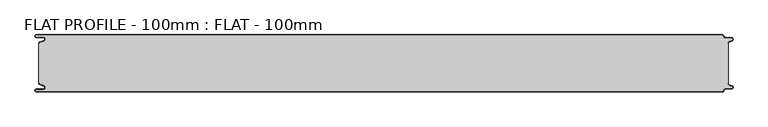
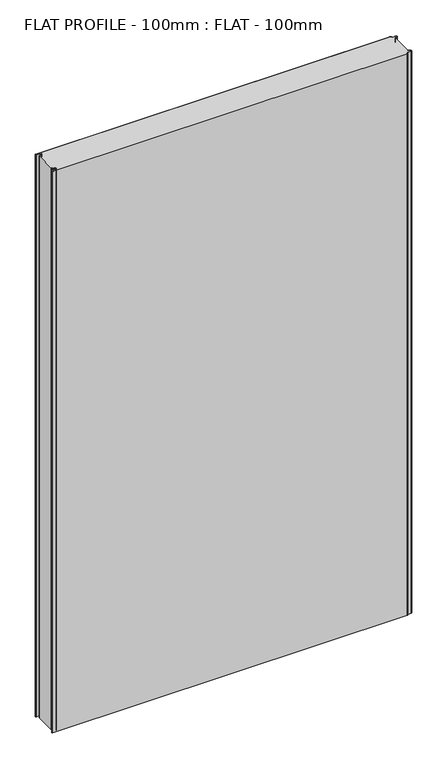
"""IFC4 building model written with IfcOpenShell, lengths in millimetres: proxy geometry, FLAT PROFILE - 100mm : FLAT - 100mm."""

from ifc_helpers import new_model, si_unit, point, frame_2d, origin, origin_with_axes, place, context, project, spatial, polyline, circle_curve, trimmed, segment, composite_curve, outline, extrude, source, transform, mapped, element, save


def flat_profile_100mm_flat_100mm_a1c25d34(model_context):
    return source(origin(), model_context, "Body", "SweptSolid", [
        extrude(outline(composite_curve([segment(polyline([(-591.3794419, 36.1128969), (-589.3904999, 36.9138856), (-583.8995097, 38.9124426)]), True, "CONTINUOUS"), segment(trimmed(circle_curve(frame_2d((-585.2882153, 42.3376495)), 3.6960175), [point((-583.8995097, 38.9124426))], [point((-584.9273771, 46.0160107))], True, "CARTESIAN"), True, "CONTINUOUS"), segment(polyline([(-584.9273771, 46.0160107), (-597.3733883, 46.0160107)]), True, "CONTINUOUS"), segment(trimmed(circle_curve(frame_2d((-597.4921978, 47.511298)), 1.5), [point((-597.3733883, 46.0160107))], [point((-597.3084562, 49.0000019))], False, "CARTESIAN"), True, "CONTINUOUS"), segment(polyline([(-597.3084562, 49.0000019), (596.902372, 49.0000019)]), True, "CONTINUOUS"), segment(trimmed(circle_curve(frame_2d((596.9047345, 47.4926459)), 1.5073578), [point((596.902372, 49.0000019))], [point((598.4115951, 47.4539337))], False, "CARTESIAN"), True, "CONTINUOUS"), segment(trimmed(circle_curve(frame_2d((601.9112919, 47.5000019)), 3.5), [point((598.4115951, 47.4539337))], [point((601.9112919, 44.0000019))], True, "CARTESIAN"), True, "CONTINUOUS"), segment(polyline([(601.9112919, 44.0000019), (612.3116271, 44.0000019)]), True, "CONTINUOUS"), segment(trimmed(circle_curve(frame_2d((612.3116271, 41.9000019)), 2.1), [point((612.3116271, 44.0000019))], [point((613.0435993, 39.9316988))], False, "CARTESIAN"), True, "CONTINUOUS"), segment(polyline([(613.0435993, 39.9316988), (610.7828028, 39.1063001), (607.8546835, 37.9154156)]), True, "CONTINUOUS"), segment(trimmed(circle_curve(frame_2d((608.9399875, 35.2468953)), 2.8807786), [point((607.8546835, 37.9154156))], [point((606.0682599, 35.475074))], True, "CARTESIAN"), True, "CONTINUOUS"), segment(polyline([(606.0682599, 35.475074), (606.0107004, 34.2522232), (607.0118076, 34.2522232), (607.0118076, -34.2522195), (606.0107004, -34.2522195), (606.0682599, -35.4750703)]), True, "CONTINUOUS"), segment(trimmed(circle_curve(frame_2d((608.9399875, -35.2468916)), 2.8807786), [point((606.0682599, -35.4750703))], [point((607.8546835, -37.9154119))], True, "CARTESIAN"), True, "CONTINUOUS"), segment(polyline([(607.8546835, -37.9154119), (610.7828028, -39.1062964), (613.0435993, -39.9316951)]), True, "CONTINUOUS"), segment(trimmed(circle_curve(frame_2d((612.3116271, -41.8999981)), 2.1), [point((613.0435993, -39.9316951))], [point((612.3116271, -43.9999981))], False, "CARTESIAN"), True, "CONTINUOUS"), segment(polyline([(612.3116271, -43.9999981), (601.9112919, -43.9999981)]), True, "CONTINUOUS"), segment(trimmed(circle_curve(frame_2d((601.9112919, -47.4999981)), 3.5), [point((601.9112919, -43.9999981))], [point((598.4115951, -47.45393))], True, "CARTESIAN"), True, "CONTINUOUS"), segment(trimmed(circle_curve(frame_2d((596.9047345, -47.4926422)), 1.5073578), [point((598.4115951, -47.45393))], [point((596.902372, -48.9999981))], False, "CARTESIAN"), True, "CONTINUOUS"), segment(polyline([(596.902372, -48.9999981), (-597.3084562, -48.9999981)]), True, "CONTINUOUS"), segment(trimmed(circle_curve(frame_2d((-597.4921978, -47.5112943)), 1.5), [point((-597.3084562, -48.9999981))], [point((-597.3733883, -46.016007))], False, "CARTESIAN"), True, "CONTINUOUS"), segment(polyline([(-597.3733883, -46.016007), (-584.9273771, -46.016007)]), True, "CONTINUOUS"), segment(trimmed(circle_curve(frame_2d((-585.2882153, -42.3376458)), 3.6960175), [point((-584.9273771, -46.016007))], [point((-583.8995097, -38.9124389))], True, "CARTESIAN"), True, "CONTINUOUS"), segment(polyline([(-583.8995097, -38.9124389), (-589.3904999, -36.9138819), (-591.3794419, -36.1128932)]), True, "CONTINUOUS"), segment(trimmed(circle_curve(frame_2d((-591.0050311, -35.1831907)), 1.0022625), [point((-591.3794419, -36.1128932))], [point((-591.9881924, -35.3779319))], False, "CARTESIAN"), True, "CONTINUOUS"), segment(polyline([(-591.9881924, -35.3779319), (-591.9881924, -34.2522214), (-592.9881924, -34.2522214), (-592.9881924, 34.2522214), (-591.9881924, 34.2522214), (-591.9881924, 35.3779357)]), True, "CONTINUOUS"), segment(trimmed(circle_curve(frame_2d((-591.0050311, 35.1831944)), 1.0022625), [point((-591.9881924, 35.3779357))], [point((-591.3794419, 36.1128969))], False, "CARTESIAN"), True, "CONTINUOUS")], self_intersect=False)), origin_with_axes(), (0.0, 0.0, 1.0), 2000.0),
        extrude(outline(composite_curve([segment(trimmed(circle_curve(frame_2d((-591.0050311, 35.1831944)), 1.0022625), [point((-591.3794419, 36.1128969))], [point((-591.9881924, 35.3779357))], True, "CARTESIAN"), True, "CONTINUOUS"), segment(polyline([(-591.9881924, 35.3779357), (-591.9881924, 34.2522214), (-592.9881924, 34.2522214), (-592.9881924, 35.4591051)]), True, "CONTINUOUS"), segment(trimmed(circle_curve(frame_2d((-591.0050311, 35.1831944)), 2.0022625), [point((-592.9881924, 35.4591051))], [point((-591.7530074, 37.0405007))], False, "CARTESIAN"), True, "CONTINUOUS"), segment(polyline([(-591.7530074, 37.0405007), (-589.7483949, 37.8478003), (-584.2598383, 39.8454715)]), True, "CONTINUOUS"), segment(trimmed(circle_curve(frame_2d((-585.2882153, 42.3376495)), 2.6960175), [point((-584.2598383, 39.8454715))], [point((-584.9801705, 45.0160107))], True, "CARTESIAN"), True, "CONTINUOUS"), segment(polyline([(-584.9801705, 45.0160107), (-597.3387672, 45.0160107)]), True, "CONTINUOUS"), segment(trimmed(circle_curve(frame_2d((-597.4921978, 47.511298)), 2.5), [point((-597.3387672, 45.0160107))], [point((-597.2548091, 50.0000019))], False, "CARTESIAN"), True, "CONTINUOUS"), segment(polyline([(-597.2548091, 50.0000019), (596.9016875, 50.0000019)]), True, "CONTINUOUS"), segment(trimmed(circle_curve(frame_2d((596.9047345, 47.4926459)), 2.5073578), [point((596.9016875, 50.0000019))], [point((599.4117582, 47.4517176))], False, "CARTESIAN"), True, "CONTINUOUS"), segment(trimmed(circle_curve(frame_2d((601.9112919, 47.5000019)), 2.5), [point((599.4117582, 47.4517176))], [point((601.9112919, 45.0000019))], True, "CARTESIAN"), True, "CONTINUOUS"), segment(polyline([(601.9112919, 45.0000019), (612.3116271, 45.0000019)]), True, "CONTINUOUS"), segment(trimmed(circle_curve(frame_2d((612.3116271, 41.9000019)), 3.1), [point((612.3116271, 45.0000019))], [point((613.3890842, 38.9932707))], False, "CARTESIAN"), True, "CONTINUOUS"), segment(polyline([(613.3890842, 38.9932707), (611.1427659, 38.1731578), (608.2411829, 37.0549269)]), True, "CONTINUOUS"), segment(trimmed(circle_curve(frame_2d((609.0514567, 35.1592666)), 2.0615701), [point((608.2411829, 37.0549269))], [point((607.0118076, 35.4591051))], True, "CARTESIAN"), True, "CONTINUOUS"), segment(polyline([(607.0118076, 35.4591051), (607.0118076, 34.2522232), (606.0107004, 34.2522232), (606.0682599, 35.475074)]), True, "CONTINUOUS"), segment(trimmed(circle_curve(frame_2d((608.9399875, 35.2468953)), 2.8807786), [point((606.0682599, 35.475074))], [point((607.8546835, 37.9154156))], False, "CARTESIAN"), True, "CONTINUOUS"), segment(polyline([(607.8546835, 37.9154156), (610.7828028, 39.1063001), (613.0435993, 39.9316988)]), True, "CONTINUOUS"), segment(trimmed(circle_curve(frame_2d((612.3116271, 41.9000019)), 2.1), [point((613.0435993, 39.9316988))], [point((612.3116271, 44.0000019))], True, "CARTESIAN"), True, "CONTINUOUS"), segment(polyline([(612.3116271, 44.0000019), (601.9112919, 44.0000019)]), True, "CONTINUOUS"), segment(trimmed(circle_curve(frame_2d((601.9112919, 47.5000019)), 3.5), [point((601.9112919, 44.0000019))], [point((598.4115951, 47.4539337))], False, "CARTESIAN"), True, "CONTINUOUS"), segment(trimmed(circle_curve(frame_2d((596.9047345, 47.4926459)), 1.5073578), [point((598.4115951, 47.4539337))], [point((596.902372, 49.0000019))], True, "CARTESIAN"), True, "CONTINUOUS"), segment(polyline([(596.902372, 49.0000019), (-597.3084562, 49.0000019)]), True, "CONTINUOUS"), segment(trimmed(circle_curve(frame_2d((-597.4921978, 47.511298)), 1.5), [point((-597.3084562, 49.0000019))], [point((-597.3733883, 46.0160107))], True, "CARTESIAN"), True, "CONTINUOUS"), segment(polyline([(-597.3733883, 46.0160107), (-584.9273771, 46.0160107)]), True, "CONTINUOUS"), segment(trimmed(circle_curve(frame_2d((-585.2882153, 42.3376495)), 3.6960175), [point((-584.9273771, 46.0160107))], [point((-583.8995097, 38.9124426))], False, "CARTESIAN"), True, "CONTINUOUS"), segment(polyline([(-583.8995097, 38.9124426), (-589.3904999, 36.9138856), (-591.3794419, 36.1128969)]), True, "CONTINUOUS")], self_intersect=False)), origin_with_axes(), (0.0, 0.0, 1.0), 2000.0),
        extrude(outline(composite_curve([segment(polyline([(-591.3794419, -36.1128932), (-589.3904999, -36.9138819), (-583.8995097, -38.9124389)]), True, "CONTINUOUS"), segment(trimmed(circle_curve(frame_2d((-585.2882153, -42.3376458)), 3.6960175), [point((-583.8995097, -38.9124389))], [point((-584.9273771, -46.016007))], False, "CARTESIAN"), True, "CONTINUOUS"), segment(polyline([(-584.9273771, -46.016007), (-597.3733883, -46.016007)]), True, "CONTINUOUS"), segment(trimmed(circle_curve(frame_2d((-597.4921978, -47.5112943)), 1.5), [point((-597.3733883, -46.016007))], [point((-597.3084562, -48.9999981))], True, "CARTESIAN"), True, "CONTINUOUS"), segment(polyline([(-597.3084562, -48.9999981), (596.902372, -48.9999981)]), True, "CONTINUOUS"), segment(trimmed(circle_curve(frame_2d((596.9047345, -47.4926422)), 1.5073578), [point((596.902372, -48.9999981))], [point((598.4115951, -47.45393))], True, "CARTESIAN"), True, "CONTINUOUS"), segment(trimmed(circle_curve(frame_2d((601.9112919, -47.4999981)), 3.5), [point((598.4115951, -47.45393))], [point((601.9112919, -43.9999981))], False, "CARTESIAN"), True, "CONTINUOUS"), segment(polyline([(601.9112919, -43.9999981), (612.3116271, -43.9999981)]), True, "CONTINUOUS"), segment(trimmed(circle_curve(frame_2d((612.3116271, -41.8999981)), 2.1), [point((612.3116271, -43.9999981))], [point((613.0435993, -39.9316951))], True, "CARTESIAN"), True, "CONTINUOUS"), segment(polyline([(613.0435993, -39.9316951), (610.7828028, -39.1062964), (607.8546835, -37.9154119)]), True, "CONTINUOUS"), segment(trimmed(circle_curve(frame_2d((608.9399875, -35.2468916)), 2.8807786), [point((607.8546835, -37.9154119))], [point((606.0682599, -35.4750703))], False, "CARTESIAN"), True, "CONTINUOUS"), segment(polyline([(606.0682599, -35.4750703), (606.0107004, -34.2522195), (607.0118076, -34.2522195), (607.0118076, -35.4591014)]), True, "CONTINUOUS"), segment(trimmed(circle_curve(frame_2d((609.0514567, -35.1592629)), 2.0615701), [point((607.0118076, -35.4591014))], [point((608.2411829, -37.0549231))], True, "CARTESIAN"), True, "CONTINUOUS"), segment(polyline([(608.2411829, -37.0549231), (611.1427659, -38.1731541), (613.3890842, -38.993267)]), True, "CONTINUOUS"), segment(trimmed(circle_curve(frame_2d((612.3116271, -41.8999981)), 3.1), [point((613.3890842, -38.993267))], [point((612.3116271, -44.9999981))], False, "CARTESIAN"), True, "CONTINUOUS"), segment(polyline([(612.3116271, -44.9999981), (601.9112919, -44.9999981)]), True, "CONTINUOUS"), segment(trimmed(circle_curve(frame_2d((601.9112919, -47.4999981)), 2.5), [point((601.9112919, -44.9999981))], [point((599.4117582, -47.4517139))], True, "CARTESIAN"), True, "CONTINUOUS"), segment(trimmed(circle_curve(frame_2d((596.9047345, -47.4926422)), 2.5073578), [point((599.4117582, -47.4517139))], [point((596.9016875, -49.9999981))], False, "CARTESIAN"), True, "CONTINUOUS"), segment(polyline([(596.9016875, -49.9999981), (-597.2548091, -49.9999981)]), True, "CONTINUOUS"), segment(trimmed(circle_curve(frame_2d((-597.4921978, -47.5112943)), 2.5), [point((-597.2548091, -49.9999981))], [point((-597.3387672, -45.016007))], False, "CARTESIAN"), True, "CONTINUOUS"), segment(polyline([(-597.3387672, -45.016007), (-584.9801705, -45.016007)]), True, "CONTINUOUS"), segment(trimmed(circle_curve(frame_2d((-585.2882153, -42.3376458)), 2.6960175), [point((-584.9801705, -45.016007))], [point((-584.2598383, -39.8454678))], True, "CARTESIAN"), True, "CONTINUOUS"), segment(polyline([(-584.2598383, -39.8454678), (-589.7483949, -37.8477966), (-591.7530074, -37.040497)]), True, "CONTINUOUS"), segment(trimmed(circle_curve(frame_2d((-591.0050311, -35.1831907)), 2.0022625), [point((-591.7530074, -37.040497))], [point((-592.9881924, -35.4591014))], False, "CARTESIAN"), True, "CONTINUOUS"), segment(polyline([(-592.9881924, -35.4591014), (-592.9881924, -34.2522177), (-591.9881924, -34.2522177), (-591.9881924, -35.3779319)]), True, "CONTINUOUS"), segment(trimmed(circle_curve(frame_2d((-591.0050311, -35.1831907)), 1.0022625), [point((-591.9881924, -35.3779319))], [point((-591.3794419, -36.1128932))], True, "CARTESIAN"), True, "CONTINUOUS")], self_intersect=False)), origin_with_axes(), (0.0, 0.0, 1.0), 2000.0),
    ])


if __name__ == "__main__":
    model = new_model("IFC4")
    model_context = context("Model", 3, world=origin())
    ifc_project = project(units=[si_unit("LENGTHUNIT", "METRE", prefix="MILLI")], contexts=[model_context])
    site = spatial("IfcSite", under=ifc_project)
    building = spatial("IfcBuilding", under=site)
    placement = place(None, origin())
    flat_profile_100mm_flat_100mm_shape = flat_profile_100mm_flat_100mm_a1c25d34(model_context)
    element("IfcBuildingElementProxy", 1, Name="FLAT PROFILE - 100mm : FLAT - 100mm", ObjectType="FLAT PROFILE - 100mm : FLAT - 100mm", at=placement, inside=building, context=model_context, shape_type="MappedRepresentation", body=[
        mapped(flat_profile_100mm_flat_100mm_shape, transform((0.0, 0.0, 0.0), x_axis=(1.0, 0.0, 0.0), y_axis=(0.0, 1.0, 0.0), z_axis=(0.0, 0.0, 1.0))),
    ])
    save(model, "model.ifc")
